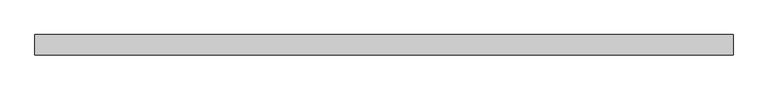
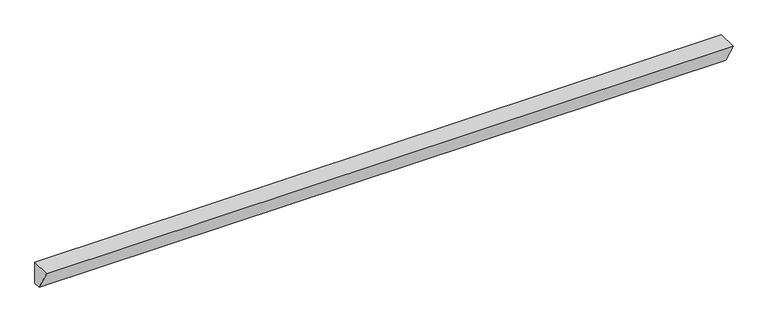
"""IFC4 building model written with IfcOpenShell, lengths in millimetres: beam geometry."""

from ifc_helpers import new_model, si_unit, frame, origin, place, context, project, spatial, polyline, outline, extrude, source, transform, mapped, element, save


def beam_901e5e35(model_context):
    return source(origin(), model_context, "Body", "SweptSolid", [
        extrude(outline(polyline([(-63.5, 69.85), (63.5, 69.85), (63.5, -69.85), (17.1558326, -69.85), (-63.5, 69.85)])), frame((-2159.0, 0.0, 0.0), z_axis=(1.0, 0.0, 0.0), x_axis=(0.0, 1.0, 0.0)), (0.0, 0.0, 1.0), 4318.0),
    ])


if __name__ == "__main__":
    model = new_model("IFC4")
    model_context = context("Model", 3, world=origin())
    ifc_project = project(units=[si_unit("LENGTHUNIT", "METRE", prefix="MILLI")], contexts=[model_context])
    site = spatial("IfcSite", under=ifc_project)
    building = spatial("IfcBuilding", under=site)
    placement = place(None, origin())
    beam_shape = beam_901e5e35(model_context)
    element("IfcBeam", 1, at=placement, inside=building, context=model_context, shape_type="MappedRepresentation", body=[
        mapped(beam_shape, transform((0.0, 0.0, 0.0), x_axis=(1.0, 0.0, 0.0), y_axis=(0.0, 1.0, 0.0), z_axis=(0.0, 0.0, 1.0))),
    ])
    save(model, "model.ifc")
